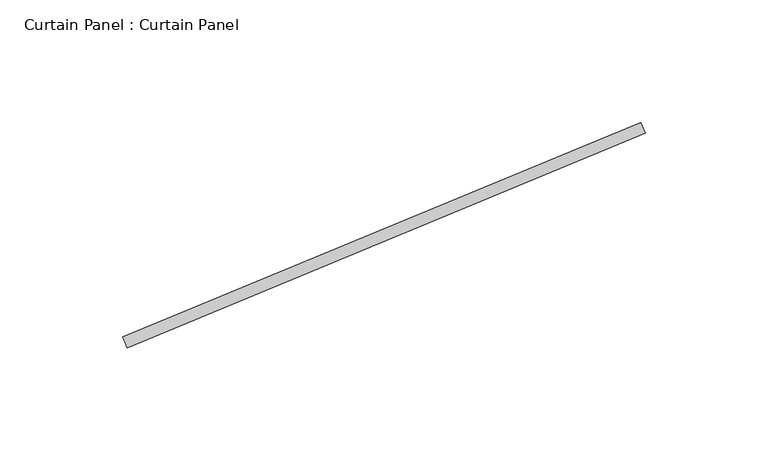
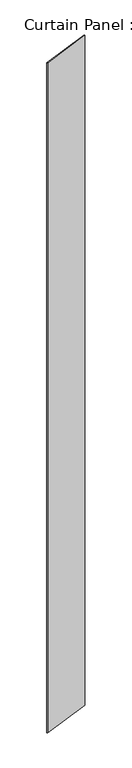
"""IFC4 building model written with IfcOpenShell, lengths in millimetres: plate geometry, Curtain Panel : Curtain Panel."""

from ifc_helpers import new_model, si_unit, origin, origin_with_axes, place, context, project, spatial, polyline, outline, extrude, source, transform, mapped, element, save


def curtain_panel_curtain_panel_3dfde02f(model_context):
    return source(origin(), model_context, "Body", "SweptSolid", [
        extrude(outline(polyline([(3643.085033, 92781.9473045), (3854.2928093, 92869.4072111), (3856.1148906, 92865.0070491), (3644.9071144, 92777.5471425), (3643.085033, 92781.9473045)])), origin_with_axes(), (0.0, 0.0, 1.0), 3048.0),
    ])


if __name__ == "__main__":
    model = new_model("IFC4")
    model_context = context("Model", 3, world=origin())
    ifc_project = project(units=[si_unit("LENGTHUNIT", "METRE", prefix="MILLI")], contexts=[model_context])
    site = spatial("IfcSite", under=ifc_project)
    building = spatial("IfcBuilding", under=site)
    placement = place(None, origin())
    curtain_panel_curtain_panel_shape = curtain_panel_curtain_panel_3dfde02f(model_context)
    element("IfcPlate", 1, ObjectType="Curtain Panel : Curtain Panel", at=placement, inside=building, context=model_context, shape_type="MappedRepresentation", body=[
        mapped(curtain_panel_curtain_panel_shape, transform((0.0, 0.0, 0.0), x_axis=(1.0, 0.0, 0.0), y_axis=(0.0, 1.0, 0.0), z_axis=(0.0, 0.0, 1.0))),
    ])
    save(model, "model.ifc")
